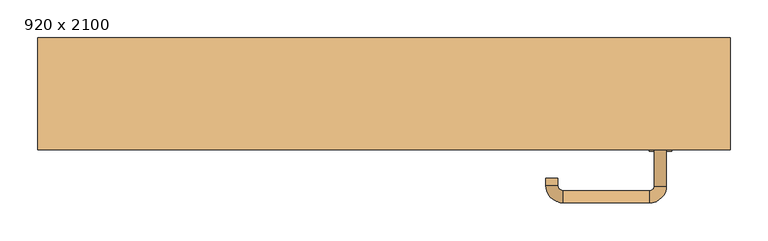
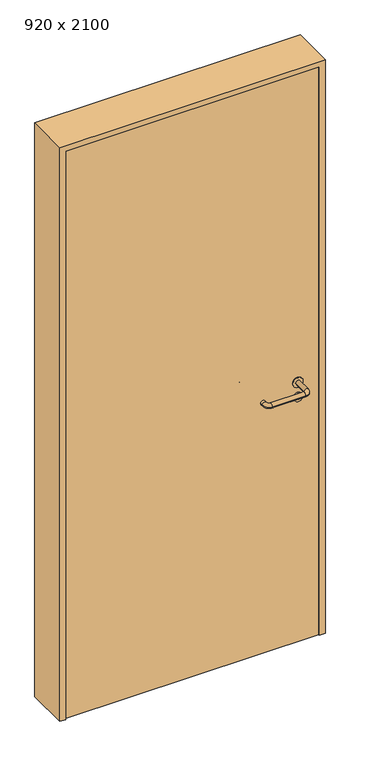
"""IFC4 building model written with IfcOpenShell, lengths in millimetres: door geometry, 920 x 2100."""

from ifc_helpers import new_model, si_unit, point, frame, frame_2d, origin, origin_with_axes, place, context, project, spatial, polyline, circle_curve, ellipse_curve, trimmed, segment, composite_curve, outline, extrude, source, transform, mapped, element, save
from ifc_brep_helpers import plane_surface, cylinder_surface, revolved_surface, advanced_brep


def door_920_x_2100_faa5cfbf(model_context):
    return source(origin(), model_context, "Body", "SolidModel", [
        extrude(outline(composite_curve([segment(trimmed(circle_curve(frame_2d((897.3605726, 367.0)), 15.0), [point((897.3605726, 382.0))], [point((897.3605726, 352.0))], False, "CARTESIAN"), True, "CONTINUOUS"), segment(trimmed(circle_curve(frame_2d((897.3605726, 367.0)), 15.0), [point((897.3605726, 352.0))], [point((897.3605726, 382.0))], False, "CARTESIAN"), True, "CONTINUOUS")], self_intersect=False), holes=[composite_curve([segment(trimmed(circle_curve(frame_2d((892.5833211, 366.9398032)), 2.0), [point((892.5833211, 368.9398032))], [point((892.5833211, 364.9398032))], True, "CARTESIAN"), True, "CONTINUOUS"), segment(polyline([(892.5833211, 364.9398032), (902.5833211, 364.9398032)]), True, "CONTINUOUS"), segment(trimmed(circle_curve(frame_2d((902.5833211, 366.9398032)), 2.0), [point((902.5833211, 364.9398032))], [point((902.5833211, 368.9398032))], True, "CARTESIAN"), True, "CONTINUOUS"), segment(polyline([(902.5833211, 368.9398032), (892.5833211, 368.9398032)]), True, "CONTINUOUS")], self_intersect=False)]), frame((0.0, -40.0, 0.0), z_axis=(0.0, 1.0, 0.0), x_axis=(0.0, 0.0, 1.0)), (0.0, 0.0, 1.0), 6.35),
        extrude(outline(composite_curve([segment(trimmed(circle_curve(frame_2d((950.0, 367.0)), 17.526), [point((950.0, 384.526))], [point((950.0, 349.474))], False, "CARTESIAN"), True, "CONTINUOUS"), segment(trimmed(circle_curve(frame_2d((950.0, 367.0)), 17.526), [point((950.0, 349.474))], [point((950.0, 384.526))], False, "CARTESIAN"), True, "CONTINUOUS")], self_intersect=False)), frame((0.0, -40.0, 0.0), z_axis=(0.0, 1.0, 0.0), x_axis=(0.0, 0.0, 1.0)), (0.0, 0.0, 1.0), 3.175),
        advanced_brep(
        [(375.0, -40.0, 950.0), (359.0, -40.0, 950.0), (375.0, 13.0, 950.0), (359.0, 13.0, 950.0), (352.8578644, 19.1421356, 950.0), (352.8578644, 35.1421356, 950.0), (237.8578644, 35.1421356, 950.0), (237.8578644, 19.1421356, 950.0), (231.008622, 12.2928932, 950.0), (215.008622, 12.2928932, 950.0), (215.008622, 2.2928932, 950.0), (231.008622, 2.2928932, 950.0)],
        [
            (0, 1, circle_curve(frame((367.0, -40.0, 950.0), z_axis=(0.0, -1.0, 0.0), x_axis=(-1.0, 0.0, 0.0)), 8.0)),
            (1, 0, circle_curve(frame((367.0, -40.0, 950.0), z_axis=(0.0, -1.0, 0.0), x_axis=(-1.0, 0.0, 0.0)), 8.0)),
            (0, 2),
            (2, 3, circle_curve(frame((367.0, 13.0, 950.0), z_axis=(0.0, -1.0, 0.0), x_axis=(-1.0, 0.0, 0.0)), 8.0)),
            (3, 1),
            (3, 2, circle_curve(frame((367.0, 13.0, 950.0), z_axis=(0.0, -1.0, 0.0), x_axis=(-1.0, 0.0, 0.0)), 8.0)),
            (4, 3, circle_curve(frame((352.8578644, 13.0, 950.0), z_axis=(0.0, 0.0, -1.0), x_axis=(1.0, 0.0, 0.0)), 6.1421356)),
            (2, 5, circle_curve(frame((352.8578644, 13.0, 950.0), z_axis=(0.0, 0.0, 1.0), x_axis=(1.0, 0.0, 0.0)), 22.1421356)),
            (5, 4, circle_curve(frame((352.8578644, 27.1421356, 950.0), z_axis=(1.0, 0.0, 0.0), x_axis=(0.0, -1.0, 0.0)), 8.0)),
            (4, 5, circle_curve(frame((352.8578644, 27.1421356, 950.0), z_axis=(1.0, 0.0, 0.0), x_axis=(0.0, -1.0, 0.0)), 8.0)),
            (5, 6),
            (6, 7, circle_curve(frame((237.8578644, 27.1421356, 950.0), z_axis=(1.0, 0.0, 0.0), x_axis=(0.0, -1.0, 0.0)), 8.0)),
            (7, 4),
            (7, 6, circle_curve(frame((237.8578644, 27.1421356, 950.0), z_axis=(1.0, 0.0, 0.0), x_axis=(0.0, -1.0, 0.0)), 8.0)),
            (8, 7, circle_curve(frame((237.8578644, 12.2928932, 950.0), z_axis=(0.0, 0.0, -1.0), x_axis=(0.0, 1.0, 0.0)), 6.8492424)),
            (6, 9, circle_curve(frame((237.8578644, 12.2928932, 950.0), z_axis=(0.0, 0.0, 1.0), x_axis=(0.0, 1.0, 0.0)), 22.8492424)),
            (9, 8, circle_curve(frame((223.008622, 12.2928932, 950.0), z_axis=(0.0, 1.0, 0.0), x_axis=(1.0, 0.0, 0.0)), 8.0)),
            (8, 9, circle_curve(frame((223.008622, 12.2928932, 950.0), z_axis=(0.0, 1.0, 0.0), x_axis=(1.0, 0.0, 0.0)), 8.0)),
            (10, 11, circle_curve(frame((223.008622, 2.2928932, 950.0), z_axis=(0.0, -1.0, 0.0), x_axis=(1.0, 0.0, 0.0)), 8.0)),
            (11, 10, circle_curve(frame((223.008622, 2.2928932, 950.0), z_axis=(0.0, -1.0, 0.0), x_axis=(1.0, 0.0, 0.0)), 8.0)),
            (9, 10),
            (11, 8),
        ],
        [
            plane_surface(frame((367.0, -40.0, 0.0), z_axis=(0.0, -1.0, 0.0), x_axis=(0.0, 0.0, 1.0))),
            cylinder_surface(frame((367.0, -40.0, 950.0), z_axis=(0.0, -1.0, 0.0), x_axis=(-1.0, 0.0, 0.0)), 8.0),
            revolved_surface(trimmed(ellipse_curve(frame((367.0, 13.0, 950.0), z_axis=(0.0, -1.0, 0.0), x_axis=(-1.0, 0.0, 0.0)), 8.0, 8.0), [point((375.0, 13.0, 950.0))], [point((359.0, 13.0, 950.0))], True, "CARTESIAN"), (352.8578644, 13.0, 0.0), (0.0, 0.0, 1.0)),
            revolved_surface(trimmed(ellipse_curve(frame((367.0, 13.0, 950.0), z_axis=(0.0, -1.0, 0.0), x_axis=(-1.0, 0.0, 0.0)), 8.0, 8.0), [point((359.0, 13.0, 950.0))], [point((375.0, 13.0, 950.0))], True, "CARTESIAN"), (352.8578644, 13.0, 0.0), (0.0, 0.0, 1.0)),
            cylinder_surface(frame((352.8578644, 27.1421356, 950.0), z_axis=(1.0, 0.0, 0.0), x_axis=(0.0, -1.0, 0.0)), 8.0),
            revolved_surface(trimmed(ellipse_curve(frame((237.8578644, 27.1421356, 950.0), z_axis=(1.0, 0.0, 0.0), x_axis=(0.0, -1.0, 0.0)), 8.0, 8.0), [point((237.8578644, 35.1421356, 950.0))], [point((237.8578644, 19.1421356, 950.0))], True, "CARTESIAN"), (237.8578644, 12.2928932, 0.0), (0.0, 0.0, 1.0)),
            revolved_surface(trimmed(ellipse_curve(frame((237.8578644, 27.1421356, 950.0), z_axis=(1.0, 0.0, 0.0), x_axis=(0.0, -1.0, 0.0)), 8.0, 8.0), [point((237.8578644, 19.1421356, 950.0))], [point((237.8578644, 35.1421356, 950.0))], True, "CARTESIAN"), (237.8578644, 12.2928932, 0.0), (0.0, 0.0, 1.0)),
            plane_surface(frame((223.008622, 2.2928932, 0.0), z_axis=(0.0, -1.0, 0.0), x_axis=(0.0, 0.0, 1.0))),
            cylinder_surface(frame((223.008622, 12.2928932, 950.0), z_axis=(0.0, 1.0, 0.0), x_axis=(1.0, 0.0, 0.0)), 8.0),
        ],
        [
            (0, [[1, 2]]),
            (1, [[-1, 3, 4, 5]]),
            (1, [[-2, -5, 6, -3]]),
            (2, [[7, -4, 8, 9]]),
            (3, [[-8, -6, -7, 10]]),
            (4, [[-9, 11, 12, 13]]),
            (4, [[-10, -13, 14, -11]]),
            (5, [[15, -12, 16, 17]]),
            (6, [[-16, -14, -15, 18]]),
            (7, [[19, 20]]),
            (8, [[-17, 21, -20, 22]]),
            (8, [[-18, -22, -19, -21]]),
        ],
    ),
        extrude(outline(composite_curve([segment(trimmed(circle_curve(frame_2d((0.0, 15.0)), 15.0), [point((0.0, 30.0))], [point((0.0, 0.0))], False, "CARTESIAN"), True, "CONTINUOUS"), segment(trimmed(circle_curve(frame_2d((0.0, 15.0)), 15.0), [point((0.0, 0.0))], [point((0.0, 30.0))], False, "CARTESIAN"), True, "CONTINUOUS")], self_intersect=False), holes=[composite_curve([segment(trimmed(circle_curve(frame_2d((-4.7772515, 14.9398032)), 2.0), [point((-4.7772515, 16.9398032))], [point((-4.7772515, 12.9398032))], True, "CARTESIAN"), True, "CONTINUOUS"), segment(polyline([(-4.7772515, 12.9398032), (5.2227485, 12.9398032)]), True, "CONTINUOUS"), segment(trimmed(circle_curve(frame_2d((5.2227485, 14.9398032)), 2.0), [point((5.2227485, 12.9398032))], [point((5.2227485, 16.9398032))], True, "CARTESIAN"), True, "CONTINUOUS"), segment(polyline([(5.2227485, 16.9398032), (-4.7772515, 16.9398032)]), True, "CONTINUOUS")], self_intersect=False)]), frame((352.0, -76.35, 897.3605726), z_axis=(-1.8870575173328306e-12, 1.0, 0.0), x_axis=(0.0, 0.0, 1.0)), (0.0, 0.0, 1.0), 6.35),
        extrude(outline(composite_curve([segment(trimmed(circle_curve(frame_2d((0.0, 17.526)), 17.526), [point((0.0, 35.052))], [point((0.0, 0.0))], False, "CARTESIAN"), True, "CONTINUOUS"), segment(trimmed(circle_curve(frame_2d((0.0, 17.526)), 17.526), [point((0.0, 0.0))], [point((0.0, 35.052))], False, "CARTESIAN"), True, "CONTINUOUS")], self_intersect=False)), frame((349.474, -73.175, 950.0), z_axis=(-1.8870575173328306e-12, 1.0, 0.0), x_axis=(0.0, 0.0, 1.0)), (0.0, 0.0, 1.0), 3.175),
        advanced_brep(
        [(375.0, -70.0, 950.0), (359.0, -70.0, 950.0), (359.0, -123.0, 950.0), (375.0, -123.0, 950.0), (352.8578644, -129.1421356, 950.0), (352.8578644, -145.1421356, 950.0), (237.8578644, -129.1421356, 950.0), (237.8578644, -145.1421356, 950.0), (231.008622, -122.2928932, 950.0), (215.008622, -122.2928932, 950.0), (215.008622, -112.2928932, 950.0), (231.008622, -112.2928932, 950.0)],
        [
            (0, 1, circle_curve(frame((367.0, -70.0, 950.0), z_axis=(-1.888672253512351e-12, 1.0, 0.0), x_axis=(-1.0, -1.888672253512351e-12, 0.0)), 8.0)),
            (1, 0, circle_curve(frame((367.0, -70.0, 950.0), z_axis=(-1.888672253512351e-12, 1.0, 0.0), x_axis=(-1.0, -1.888672253512351e-12, 0.0)), 8.0)),
            (1, 2),
            (2, 3, circle_curve(frame((367.0, -123.0, 950.0), z_axis=(-1.888672253512351e-12, 1.0, 0.0), x_axis=(-1.0, -1.888672253512351e-12, 0.0)), 8.0)),
            (3, 0),
            (3, 2, circle_curve(frame((367.0, -123.0, 950.0), z_axis=(-1.888672253512351e-12, 1.0, 0.0), x_axis=(-1.0, -1.888672253512351e-12, 0.0)), 8.0)),
            (4, 5, circle_curve(frame((352.8578644, -137.1421356, 950.0), z_axis=(1.0, 1.913702061528922e-12, 0.0), x_axis=(-1.913702061528922e-12, 1.0, 0.0)), 8.0)),
            (5, 3, circle_curve(frame((352.8578644, -123.0, 950.0), z_axis=(0.0, 0.0, 1.0), x_axis=(1.0, 1.880717803715015e-12, 0.0)), 22.1421356)),
            (2, 4, circle_curve(frame((352.8578644, -123.0, 950.0), z_axis=(0.0, 0.0, -1.0), x_axis=(1.0, 1.880717803715015e-12, 0.0)), 6.1421356)),
            (5, 4, circle_curve(frame((352.8578644, -137.1421356, 950.0), z_axis=(1.0, 1.913702061528922e-12, 0.0), x_axis=(-1.913702061528922e-12, 1.0, 0.0)), 8.0)),
            (4, 6),
            (6, 7, circle_curve(frame((237.8578644, -137.1421356, 950.0), z_axis=(1.0, 1.913719828541269e-12, 0.0), x_axis=(-1.913719828541269e-12, 1.0, 0.0)), 8.0)),
            (7, 5),
            (7, 6, circle_curve(frame((237.8578644, -137.1421356, 950.0), z_axis=(1.0, 1.913719828541269e-12, 0.0), x_axis=(-1.913719828541269e-12, 1.0, 0.0)), 8.0)),
            (8, 9, circle_curve(frame((223.008622, -122.2928932, 950.0), z_axis=(1.8888942981172756e-12, -1.0, 0.0), x_axis=(1.0, 1.8888942981172756e-12, 0.0)), 8.0)),
            (9, 7, circle_curve(frame((237.8578644, -122.2928932, 950.0), z_axis=(0.0, 0.0, 1.0), x_axis=(1.9120873253494017e-12, -1.0, 0.0)), 22.8492424)),
            (6, 8, circle_curve(frame((237.8578644, -122.2928932, 950.0), z_axis=(0.0, 0.0, -1.0), x_axis=(1.9120873253494017e-12, -1.0, 0.0)), 6.8492424)),
            (9, 8, circle_curve(frame((223.008622, -122.2928932, 950.0), z_axis=(1.890448610351751e-12, -1.0, 0.0), x_axis=(1.0, 1.890448610351751e-12, 0.0)), 8.0)),
            (10, 11, circle_curve(frame((223.008622, -112.2928932, 950.0), z_axis=(-1.8903642334018795e-12, 1.0, 0.0), x_axis=(1.0, 1.8903642334018795e-12, 0.0)), 8.0)),
            (11, 10, circle_curve(frame((223.008622, -112.2928932, 950.0), z_axis=(-1.8903642334018795e-12, 1.0, 0.0), x_axis=(1.0, 1.8903642334018795e-12, 0.0)), 8.0)),
            (8, 11),
            (10, 9),
        ],
        [
            plane_surface(frame((367.0, -70.0, 0.0), z_axis=(-1.8870575173328306e-12, 1.0, 0.0), x_axis=(0.0, 0.0, 1.0))),
            cylinder_surface(frame((367.0, -70.0, 950.0), z_axis=(-1.888672253512351e-12, 1.0, 0.0), x_axis=(-1.0, -1.888672253512351e-12, 0.0)), 8.0),
            revolved_surface(trimmed(ellipse_curve(frame((367.0, -123.0, 950.0), z_axis=(1.8823325398945356e-12, -1.0, 0.0), x_axis=(-1.0, -1.8823325398945356e-12, 0.0)), 8.0, 8.0), [point((375.0, -123.0, 950.0))], [point((359.0, -123.0, 950.0))], True, "CARTESIAN"), (352.8578644, -123.0, 0.0), (0.0, 0.0, 1.0)),
            revolved_surface(trimmed(ellipse_curve(frame((367.0, -123.0, 950.0), z_axis=(1.8823325398945356e-12, -1.0, 0.0), x_axis=(-1.0, -1.8823325398945356e-12, 0.0)), 8.0, 8.0), [point((359.0, -123.0, 950.0))], [point((375.0, -123.0, 950.0))], True, "CARTESIAN"), (352.8578644, -123.0, 0.0), (0.0, 0.0, 1.0)),
            cylinder_surface(frame((352.8578644, -137.1421356, 950.0), z_axis=(1.0, 1.913719828541269e-12, 0.0), x_axis=(-1.913719828541269e-12, 1.0, 0.0)), 8.0),
            revolved_surface(trimmed(ellipse_curve(frame((237.8578644, -137.1421356, 950.0), z_axis=(-1.0, -1.913702061528922e-12, 0.0), x_axis=(-1.913702061528922e-12, 1.0, 0.0)), 8.0, 8.0), [point((237.8578644, -145.1421356, 950.0))], [point((237.8578644, -129.1421356, 950.0))], True, "CARTESIAN"), (237.8578644, -122.2928932, 0.0), (0.0, 0.0, 1.0)),
            revolved_surface(trimmed(ellipse_curve(frame((237.8578644, -137.1421356, 950.0), z_axis=(-1.0, -1.913702061528922e-12, 0.0), x_axis=(-1.913702061528922e-12, 1.0, 0.0)), 8.0, 8.0), [point((237.8578644, -129.1421356, 950.0))], [point((237.8578644, -145.1421356, 950.0))], True, "CARTESIAN"), (237.8578644, -122.2928932, 0.0), (0.0, 0.0, 1.0)),
            plane_surface(frame((223.008622, -112.2928932, 0.0), z_axis=(-1.8887494972223595e-12, 1.0, 0.0), x_axis=(0.0, 0.0, 1.0))),
            cylinder_surface(frame((223.008622, -122.2928932, 950.0), z_axis=(1.8903642334018795e-12, -1.0, 0.0), x_axis=(1.0, 1.8903642334018795e-12, 0.0)), 8.0),
        ],
        [
            (0, [[1, 2]]),
            (1, [[3, 4, 5, -2]]),
            (1, [[-5, 6, -3, -1]]),
            (2, [[7, 8, -4, 9]]),
            (3, [[10, -9, -6, -8]]),
            (4, [[11, 12, 13, -7]]),
            (4, [[-13, 14, -11, -10]]),
            (5, [[15, 16, -12, 17]]),
            (6, [[18, -17, -14, -16]]),
            (7, [[19, 20]]),
            (8, [[21, -19, 22, -15]]),
            (8, [[-22, -20, -21, -18]]),
        ],
    ),
        extrude(outline(polyline([(2080.0, 440.0), (0.0, 440.0), (0.0, 460.0), (2100.0, 460.0), (2100.0, -460.0), (0.0, -460.0), (0.0, -440.0), (2080.0, -440.0), (2080.0, 440.0)])), frame((0.0, -75.0, 0.0), z_axis=(0.0, 1.0, 0.0), x_axis=(0.0, 0.0, 1.0)), (0.0, 0.0, 1.0), 149.0),
        extrude(outline(polyline([(-440.0, -70.0), (-440.0, -40.0), (440.0, -40.0), (440.0, -70.0), (-440.0, -70.0)])), origin_with_axes(), (0.0, 0.0, 1.0), 2080.0),
    ])


if __name__ == "__main__":
    model = new_model("IFC4")
    model_context = context("Model", 3, world=origin())
    ifc_project = project(units=[si_unit("LENGTHUNIT", "METRE", prefix="MILLI")], contexts=[model_context])
    site = spatial("IfcSite", under=ifc_project)
    building = spatial("IfcBuilding", under=site)
    placement = place(None, origin())
    door_920_x_2100_shape = door_920_x_2100_faa5cfbf(model_context)
    element("IfcDoor", 1, ObjectType="920 x 2100", at=placement, inside=building, context=model_context, shape_type="MappedRepresentation", body=[
        mapped(door_920_x_2100_shape, transform((0.0, 0.0, 0.0), x_axis=(1.0, 0.0, 0.0), y_axis=(0.0, 1.0, 0.0), z_axis=(0.0, 0.0, 1.0))),
    ])
    save(model, "model.ifc")
